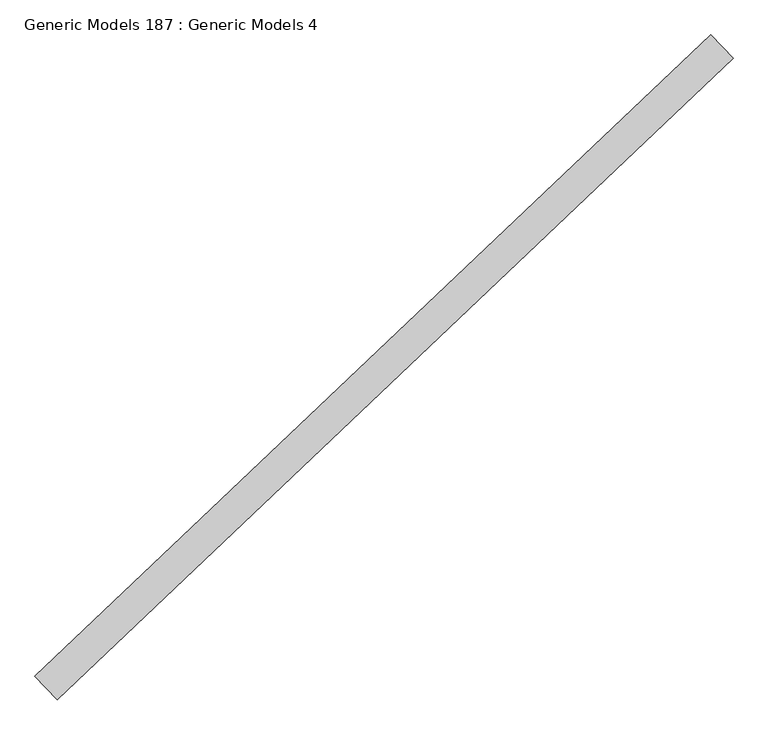
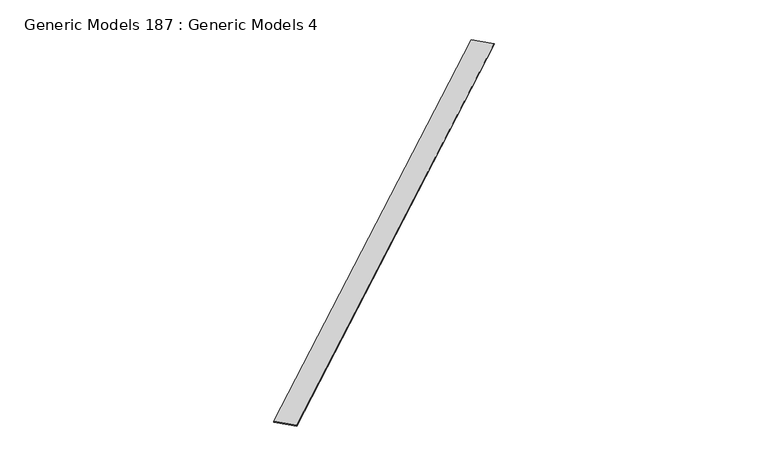
"""IFC4 building model written with IfcOpenShell, lengths in millimetres: proxy geometry, Generic Models 187 : Generic Models 4."""

from ifc_helpers import new_model, si_unit, frame, origin, place, context, project, spatial, polyline, outline, extrude, source, transform, mapped, element, save


def generic_models_187_generic_models_4_d3f5ac56(model_context):
    return source(origin(), model_context, "Body", "SweptSolid", [
        extrude(outline(polyline([(19.05, 0.0), (9.525, 0.0), (9.525, 12.7), (6.35, 12.7), (6.35, 0.0), (0.0, 0.0), (0.0, 609.6000001), (19.05, 609.6000001), (19.05, 0.0)])), frame((93783.0825099, 50921.1475701, 16507.93625), z_axis=(0.7253743710121916, 0.6883545756938553, 0.0), x_axis=(0.0, 0.0, 1.0)), (0.0, 0.0, 1.0), 17560.925),
    ])


if __name__ == "__main__":
    model = new_model("IFC4")
    model_context = context("Model", 3, world=origin())
    ifc_project = project(units=[si_unit("LENGTHUNIT", "METRE", prefix="MILLI")], contexts=[model_context])
    site = spatial("IfcSite", under=ifc_project)
    building = spatial("IfcBuilding", under=site)
    placement = place(None, origin())
    generic_models_187_generic_models_4_shape = generic_models_187_generic_models_4_d3f5ac56(model_context)
    element("IfcBuildingElementProxy", 1, Name="Generic Models 187 : Generic Models 4", ObjectType="Generic Models 187 : Generic Models 4", at=placement, inside=building, context=model_context, shape_type="MappedRepresentation", body=[
        mapped(generic_models_187_generic_models_4_shape, transform((0.0, 0.0, 0.0), x_axis=(1.0, 0.0, 0.0), y_axis=(0.0, 1.0, 0.0), z_axis=(0.0, 0.0, 1.0))),
    ])
    save(model, "model.ifc")
